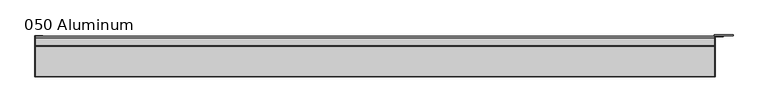
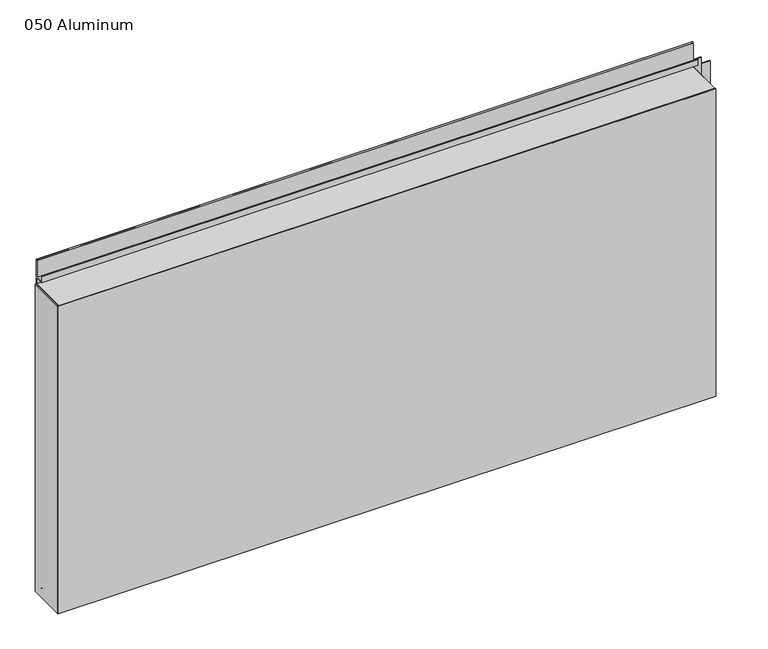
"""IFC4 building model written with IfcOpenShell, lengths in millimetres: plate geometry, 050 Aluminum."""

import ifcopenshell
import ifcopenshell.guid

model = None  # the IFC model being written
_history = None  # IfcOwnerHistory: only IFC2X3 demands one
_inside = {}  # id of a spatial element -> (the spatial element, [elements in it])
_under = {}  # id of a project, library or spatial element -> (it, [spatial elements below it])
_declared = {}  # id of a project -> (the project, [libraries it declares])
_typed = {}  # id of a type object -> (the type object, [elements of that type])
_made_of = {}  # id of a material, layer set ... -> (it, [elements and type objects made of it])


def new_model(schema):
    """Start an empty IFC model of exactly this schema.

    Asked for "IFC4X3", IfcOpenShell would pick the latest addendum, in which some entities
    have other attributes; the version numbers below select the first issue.
    IFC2X3 requires an IfcOwnerHistory on every rooted entity: one is made here for all.
    """
    global model, _history
    if schema == "IFC4X3":
        model = ifcopenshell.file(schema_version=(4, 3, 0, 0))
    else:
        model = ifcopenshell.file(schema=schema)
    _inside.clear()
    _under.clear()
    _declared.clear()
    _typed.clear()
    _made_of.clear()
    _history = None
    if model.schema == "IFC2X3":
        org = make("IfcOrganization", Name="unknown")
        user = make(
            "IfcPersonAndOrganization",
            ThePerson=make("IfcPerson", FamilyName="unknown"),
            TheOrganization=org,
        )
        app = make(
            "IfcApplication",
            ApplicationDeveloper=org,
            Version="unknown",
            ApplicationFullName="unknown",
            ApplicationIdentifier="unknown",
        )
        _history = make(
            "IfcOwnerHistory",
            OwningUser=user,
            OwningApplication=app,
            ChangeAction="ADDED",
            CreationDate=0,
        )
    return model


def make(cls, **values):
    """One entity of the class cls with the attributes given. An attribute that is None is left unset."""
    return model.create_entity(
        cls, **{name: value for name, value in values.items() if value is not None}
    )


def rooted(cls, **values):
    """An entity with a GlobalId (a new one), such as an element, a storey or a relation."""
    return make(cls, GlobalId=ifcopenshell.guid.new(), OwnerHistory=_history, **values)


def si_unit(unit_type, name, prefix=None):
    """IfcSIUnit, for example si_unit("LENGTHUNIT", "METRE", prefix="MILLI")."""
    return make("IfcSIUnit", UnitType=unit_type, Prefix=prefix, Name=name)


def assignment(units):
    """IfcUnitAssignment: the units of a project."""
    return None if units is None else make("IfcUnitAssignment", Units=units)


def point(xyz):
    """IfcCartesianPoint."""
    return None if xyz is None else make("IfcCartesianPoint", Coordinates=xyz)


def direction(xyz):
    """IfcDirection."""
    return None if xyz is None else make("IfcDirection", DirectionRatios=xyz)


def frame(location, z_axis=None, x_axis=None):
    """IfcAxis2Placement3D, a coordinate frame: its origin and axes. An axis left out is left unset."""
    return make(
        "IfcAxis2Placement3D",
        Location=point(location),
        Axis=direction(z_axis),
        RefDirection=direction(x_axis),
    )


def frame_2d(location, x_axis=None):
    """IfcAxis2Placement2D, a coordinate frame in the plane: its origin and x axis."""
    return make(
        "IfcAxis2Placement2D", Location=point(location), RefDirection=direction(x_axis)
    )


def origin():
    """The frame at (0, 0, 0) with its axes left unset."""
    return frame((0.0, 0.0, 0.0))


def origin_with_axes():
    """The frame at (0, 0, 0) with the z axis (0, 0, 1) and the x axis (1, 0, 0) written out."""
    return frame((0.0, 0.0, 0.0), z_axis=(0.0, 0.0, 1.0), x_axis=(1.0, 0.0, 0.0))


def place(relative_to, where):
    """IfcLocalPlacement: puts the frame where relative to a parent placement (None: the world)."""
    return make(
        "IfcLocalPlacement", PlacementRelTo=relative_to, RelativePlacement=where
    )


def context(
    kind, dimensions, precision=None, world=None, true_north=None, identifier=None
):
    """IfcGeometricRepresentationContext, for example the 3D "Model" context."""
    return make(
        "IfcGeometricRepresentationContext",
        ContextIdentifier=identifier,
        ContextType=kind,
        CoordinateSpaceDimension=dimensions,
        Precision=precision,
        WorldCoordinateSystem=world,
        TrueNorth=true_north,
    )


def project(units=None, contexts=None):
    """IfcProject with its units and contexts."""
    return rooted(
        "IfcProject",
        Name="project",
        RepresentationContexts=contexts,
        UnitsInContext=assignment(units),
    )


def spatial(cls, under=None, at=None, **own):
    """A site, building, storey or space (cls), placed at a placement, below another one or the project."""
    s = rooted(cls, ObjectPlacement=at, **own)
    if under is not None:
        _under.setdefault(under.id(), (under, []))[1].append(s)
    return s


def polyline(points):
    """IfcPolyline through the points."""
    return make("IfcPolyline", Points=[point(p) for p in points])


def circle_curve(where, radius):
    """IfcCircle in the frame where."""
    return make("IfcCircle", Position=where, Radius=radius)


def trimmed(basis, trim1, trim2, sense, master):
    """IfcTrimmedCurve: the piece of a basis curve between two trims."""
    return make(
        "IfcTrimmedCurve",
        BasisCurve=basis,
        Trim1=trim1,
        Trim2=trim2,
        SenseAgreement=sense,
        MasterRepresentation=master,
    )


def segment(curve, same_sense, transition):
    """IfcCompositeCurveSegment."""
    return make(
        "IfcCompositeCurveSegment",
        Transition=transition,
        SameSense=same_sense,
        ParentCurve=curve,
    )


def composite_curve(segments, self_intersect=None):
    """IfcCompositeCurve: segments joined end to end."""
    return make("IfcCompositeCurve", Segments=segments, SelfIntersect=self_intersect)


def outline(outer, holes=None, kind="AREA"):
    """IfcArbitraryClosedProfileDef: a profile drawn as a closed curve; with holes, ...WithVoids."""
    if holes is None:
        return make("IfcArbitraryClosedProfileDef", ProfileType=kind, OuterCurve=outer)
    return make(
        "IfcArbitraryProfileDefWithVoids",
        ProfileType=kind,
        OuterCurve=outer,
        InnerCurves=holes,
    )


def extrude(swept, where, along, depth):
    """IfcExtrudedAreaSolid: the profile swept, set in the frame where, extruded along a direction by depth."""
    return make(
        "IfcExtrudedAreaSolid",
        SweptArea=swept,
        Position=where,
        ExtrudedDirection=direction(along),
        Depth=depth,
    )


def shape(context_of_items, identifier, shape_type, items):
    """IfcShapeRepresentation: the items that make up one representation, for example the "Body"."""
    return make(
        "IfcShapeRepresentation",
        ContextOfItems=context_of_items,
        RepresentationIdentifier=identifier,
        RepresentationType=shape_type,
        Items=items,
    )


def source(mapping_origin, context_of_items, identifier, shape_type, items):
    """IfcRepresentationMap: a shape defined once, which mapped items show again and again."""
    return make(
        "IfcRepresentationMap",
        MappingOrigin=mapping_origin,
        MappedRepresentation=shape(context_of_items, identifier, shape_type, items),
    )


def transform(
    local_origin,
    x_axis=None,
    y_axis=None,
    z_axis=None,
    scale=None,
    scale2=None,
    scale3=None,
    uniform=True,
):
    """IfcCartesianTransformationOperator3D, or its non-uniform kind. x_axis, y_axis, z_axis: its Axis1, 2, 3."""
    if uniform:
        return make(
            "IfcCartesianTransformationOperator3D",
            Axis1=direction(x_axis),
            Axis2=direction(y_axis),
            LocalOrigin=point(local_origin),
            Scale=scale,
            Axis3=direction(z_axis),
        )
    return make(
        "IfcCartesianTransformationOperator3DnonUniform",
        Axis1=direction(x_axis),
        Axis2=direction(y_axis),
        LocalOrigin=point(local_origin),
        Scale=scale,
        Axis3=direction(z_axis),
        Scale2=scale2,
        Scale3=scale3,
    )


def mapped(mapping_source, mapping_target):
    """IfcMappedItem: shows the shape of a source again, moved by a transform."""
    return make(
        "IfcMappedItem", MappingSource=mapping_source, MappingTarget=mapping_target
    )


def made_of(thing, what):
    """Note that an element or type object is made of a material, layer set ...; save() writes the relation."""
    if what is not None:
        _made_of.setdefault(what.id(), (what, []))[1].append(thing)
    return thing


def element(
    cls,
    number,
    at=None,
    inside=None,
    cuts=None,
    type_object=None,
    material=None,
    context=None,
    identifier="Body",
    shape_type=None,
    held_by="IfcProductDefinitionShape",
    body=None,
    shapes=None,
    **own,
):
    """One element of the class cls, such as IfcWall. Its Tag is "e" and its number.

    at: its placement. inside: the storey or other place that contains it. cuts: it is an
    opening in that element (IfcRelVoidsElement). A single representation is given by context,
    identifier, shape_type and body (its items); several are given by shapes. held_by: the class
    of the entity that holds the representations. save() writes the other relations.
    """
    e = rooted(cls, Tag="e%d" % number, ObjectPlacement=at, **own)
    if body is not None:
        shapes = [shape(context, identifier, shape_type, body)]
    if shapes is not None:
        e.Representation = make(held_by, Representations=shapes)
    if inside is not None:
        _inside.setdefault(inside.id(), (inside, []))[1].append(e)
    if cuts is not None:
        rooted(
            "IfcRelVoidsElement", RelatingBuildingElement=cuts, RelatedOpeningElement=e
        )
    if type_object is not None:
        _typed.setdefault(type_object.id(), (type_object, []))[1].append(e)
    return made_of(e, material)


def aggregate(whole, parts):
    """IfcRelAggregates: a whole, such as a stair, and the parts it consists of."""
    return rooted("IfcRelAggregates", RelatingObject=whole, RelatedObjects=parts)


def save(model, path):
    """Write the relations noted so far, then the file.

    IfcRelAggregates (storeys below a building ...), IfcRelContainedInSpatialStructure (elements
    in a storey), IfcRelDefinesByType, IfcRelAssociatesMaterial and IfcRelDeclares: one each for
    every whole, place, type object, material and project.
    """
    for whole, parts in _under.values():
        aggregate(whole, parts)
    for where, things in _inside.values():
        rooted(
            "IfcRelContainedInSpatialStructure",
            RelatedElements=things,
            RelatingStructure=where,
        )
    for kind, things in _typed.values():
        rooted("IfcRelDefinesByType", RelatedObjects=things, RelatingType=kind)
    for what, things in _made_of.values():
        rooted("IfcRelAssociatesMaterial", RelatedObjects=things, RelatingMaterial=what)
    for by, libraries in _declared.values():
        rooted("IfcRelDeclares", RelatingContext=by, RelatedDefinitions=libraries)
    model.write(path)


def plate_050_aluminum_c9d0be60(model_context):
    return source(origin(), model_context, "Body", "SweptSolid", [
        extrude(outline(polyline([(-621.03, -2.5660257), (-621.03, -74.9300001), (-622.2999999, -74.9300001), (-622.2999999, -1.2699999), (-608.1394994, -1.2699999), (-608.1394994, -2.5660257), (-621.03, -2.5660257)])), origin_with_axes(), (0.0, 0.0, 1.0), 608.33),
        extrude(outline(composite_curve([segment(polyline([(-16.6765477, 13.1458337), (-16.6765477, 2.786437), (-17.9464915, 2.786437), (-17.9464915, 13.1323356)]), True, "CONTINUOUS"), segment(trimmed(circle_curve(frame_2d((-19.8514743, 13.124237)), 1.905), [point((-17.9464915, 13.1323356))], [point((-21.7564743, 13.124237))], True, "CARTESIAN"), True, "CONTINUOUS"), segment(polyline([(-21.7564743, 13.124237), (-21.7564743, 0.0), (-74.9300002, 0.0), (-74.9300002, 1.2693678), (-23.0264743, 1.2693678), (-23.0264743, 13.124237)]), True, "CONTINUOUS"), segment(trimmed(circle_curve(frame_2d((-19.8514743, 13.124237)), 3.175), [point((-23.0264743, 13.124237))], [point((-16.6765477, 13.1458337))], False, "CARTESIAN"), True, "CONTINUOUS")], self_intersect=False)), frame((-621.03, 0.0, 0.0), z_axis=(1.0, 0.0, 0.0), x_axis=(0.0, 1.0, 0.0)), (0.0, 0.0, 1.0), 1229.36),
        extrude(outline(composite_curve([segment(polyline([(-2.0574743, 656.7932001), (-2.0574743, 608.33), (-74.9300002, 608.33), (-74.9300002, 609.6000001), (-3.3274743, 609.6000001), (-3.3274743, 656.7932001)]), True, "CONTINUOUS"), segment(trimmed(circle_curve(frame_2d((-3.7084742, 656.7932001)), 0.3809999), [point((-3.3274743, 656.7932001))], [point((-4.0894742, 656.7932001))], True, "CARTESIAN"), True, "CONTINUOUS"), segment(polyline([(-4.0894742, 656.7932001), (-4.0894742, 622.3), (-20.4864742, 622.3), (-20.4864742, 633.6538), (-19.2164743, 633.6538), (-19.2164743, 623.57), (-5.3594742, 623.57), (-5.3594742, 656.7932001)]), True, "CONTINUOUS"), segment(trimmed(circle_curve(frame_2d((-3.7084742, 656.7932001)), 1.6509999), [point((-5.3594742, 656.7932001))], [point((-2.0574743, 656.7932001))], False, "CARTESIAN"), True, "CONTINUOUS")], self_intersect=False)), frame((-621.03, 0.0, 0.0), z_axis=(1.0, 0.0, 0.0), x_axis=(0.0, 1.0, 0.0)), (0.0, 0.0, 1.0), 1229.36),
        extrude(outline(polyline([(-622.3, -76.2), (-622.3, -74.9300001), (609.6, -74.9300001), (609.6, -76.2), (-622.3, -76.2)])), origin_with_axes(), (0.0, 0.0, 1.0), 609.6),
        extrude(outline(polyline([(609.6, -1.2699999), (609.6, -74.9300002), (608.3300001, -74.9300002), (608.3300001, 0.0), (642.1120856, 0.0), (642.1120856, -1.2699999), (609.6, -1.2699999)])), origin_with_axes(), (0.0, 0.0, 1.0), 608.33),
        extrude(outline(polyline([(608.33, -3.3274743), (608.33, -2.0574743), (624.0779999, -2.0574743), (624.0779999, -3.3274743), (608.33, -3.3274743)])), origin_with_axes(), (0.0, 0.0, 1.0), 622.3),
    ])


if __name__ == "__main__":
    model = new_model("IFC4")
    model_context = context("Model", 3, world=origin())
    ifc_project = project(units=[si_unit("LENGTHUNIT", "METRE", prefix="MILLI")], contexts=[model_context])
    site = spatial("IfcSite", under=ifc_project)
    building = spatial("IfcBuilding", under=site)
    placement = place(None, origin())
    plate_050_aluminum_shape = plate_050_aluminum_c9d0be60(model_context)
    element("IfcPlate", 1, ObjectType="050 Aluminum", at=placement, inside=building, context=model_context, shape_type="MappedRepresentation", body=[
        mapped(plate_050_aluminum_shape, transform((0.0, 0.0, 0.0), x_axis=(1.0, 0.0, 0.0), y_axis=(0.0, 1.0, 0.0), z_axis=(0.0, 0.0, 1.0))),
    ])
    save(model, "model.ifc")
